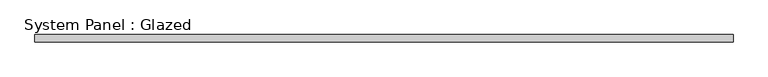
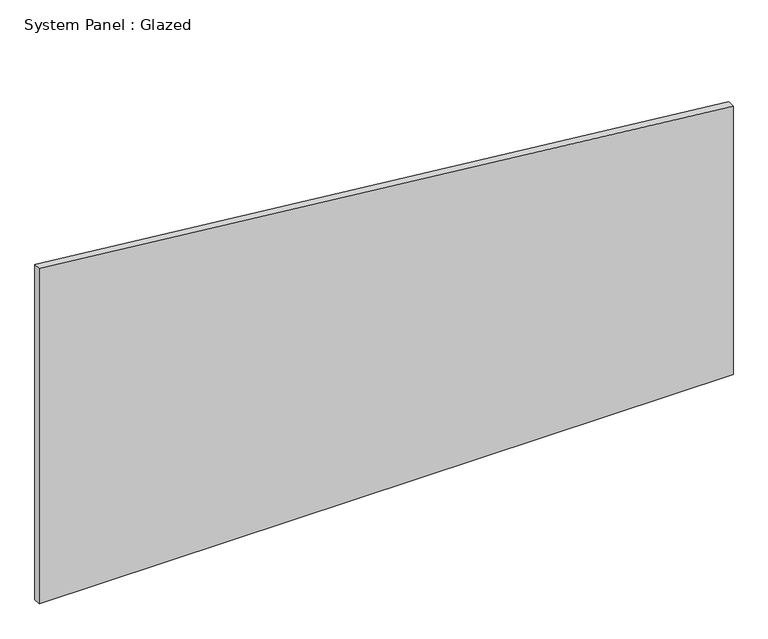
"""IFC4 building model written with IfcOpenShell, lengths in millimetres: plate geometry, System Panel : Glazed."""

from ifc_helpers import new_model, si_unit, frame, origin, place, context, project, spatial, polyline, outline, extrude, source, transform, mapped, element, save


def system_panel_glazed_b306c000(model_context):
    return source(origin(), model_context, "Body", "SweptSolid", [
        extrude(outline(polyline([(0.0, -1171.7121958), (0.0, 1171.7121958), (958.1885956, 1171.7121958), (1197.4206945, -1171.7121958), (0.0, -1171.7121958)])), frame((0.0, 24.5, 0.0), z_axis=(0.0, 1.0, 0.0), x_axis=(0.0, 0.0, 1.0)), (0.0, 0.0, 1.0), 25.0),
    ])


if __name__ == "__main__":
    model = new_model("IFC4")
    model_context = context("Model", 3, world=origin())
    ifc_project = project(units=[si_unit("LENGTHUNIT", "METRE", prefix="MILLI")], contexts=[model_context])
    site = spatial("IfcSite", under=ifc_project)
    building = spatial("IfcBuilding", under=site)
    placement = place(None, origin())
    system_panel_glazed_shape = system_panel_glazed_b306c000(model_context)
    element("IfcPlate", 1, ObjectType="System Panel : Glazed", at=placement, inside=building, context=model_context, shape_type="MappedRepresentation", body=[
        mapped(system_panel_glazed_shape, transform((0.0, 0.0, 0.0), x_axis=(1.0, 0.0, 0.0), y_axis=(0.0, 1.0, 0.0), z_axis=(0.0, 0.0, 1.0))),
    ])
    save(model, "model.ifc")
